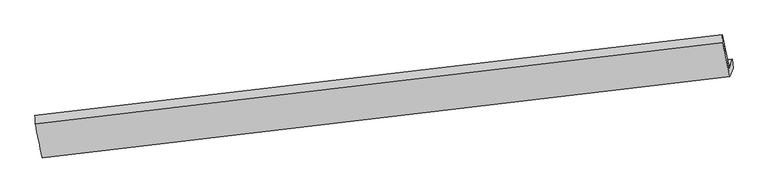
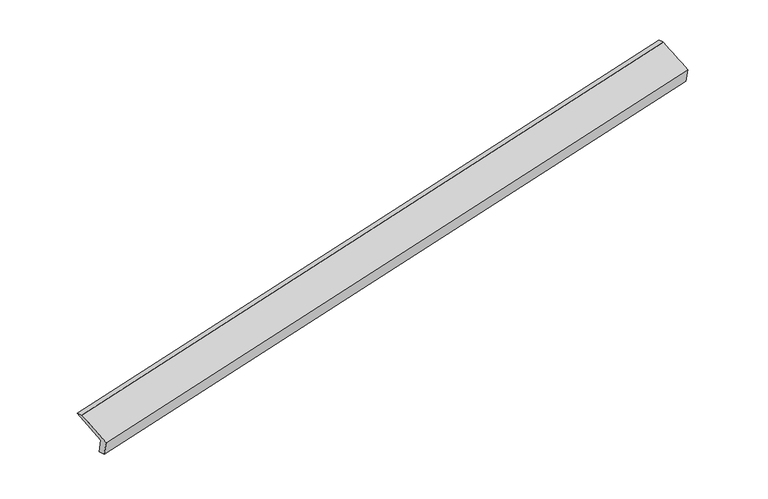
"""IFC4 building model written with IfcOpenShell, lengths in millimetres: proxy geometry."""

from ifc_helpers import new_model, si_unit, frame, origin, place, context, project, spatial, source, transform, mapped, element, save
from ifc_brep_helpers import plane_surface, spline_surface, advanced_brep


def generic_models_dfb17d4b(model_context):
    return source(origin(), model_context, "Body", "AdvancedBrep", [
        advanced_brep(
        [(-9758.9964577, -2352.1591634, 75.0708253), (-9823.2032397, -2527.3619898, 478.0031041), (4138.8818453, -882.0713112, 3420.9490633), (4204.5345904, -702.9228451, 3008.9425838), (-9746.9344929, -2526.8770747, 113.6454821), (4217.5262046, -877.5306852, 3047.7132403), (-9812.9711194, -2707.0730485, 528.0610248), (4151.4895781, -1057.7266591, 3462.128783), (-9951.0799413, -2015.5068527, 806.7600396), (4008.5969834, -366.7268656, 3739.8192265), (-9958.732881, -1848.7107844, 751.4974181), (3998.6577681, -203.9759306, 3693.453641)],
        [
            (0, 1),
            (1, 2),
            (2, 3),
            (3, 0),
            (4, 0),
            (3, 5),
            (5, 4),
            (6, 4),
            (5, 7),
            (7, 6),
            (8, 6),
            (7, 9),
            (9, 8),
            (10, 8),
            (9, 11),
            (11, 10),
            (1, 10),
            (11, 2),
        ],
        [
            plane_surface(frame((-9791.0998487, -2439.7605766, 276.5369647), z_axis=(-0.18478544238231476, 0.9116922531465779, 0.36697626058927646), x_axis=(-0.144596314238311, -0.3945639721905931, 0.9074200668697362))),
            spline_surface(1, 1, [[(-9746.9344929, -2526.8770747, 113.6454821), (4217.5262046, -877.5306852, 3047.7132403)], [(-9758.9964577, -2352.1591634, 75.0708253), (4204.5345904, -702.9228451, 3008.9425838)]], [2, 2], [2, 2], [0.0, 1.0], [0.0, 1.0]),
            plane_surface(frame((-9779.9528062, -2616.9750616, 320.8532534), z_axis=(0.1847854757166686, -0.9116922492162339, -0.3669762535685505), x_axis=(0.1445963142382339, 0.39456397219063, -0.9074200668697325))),
            spline_surface(1, 1, [[(-9951.0799413, -2015.5068527, 806.7600396), (4008.5969834, -366.7268656, 3739.8192265)], [(-9812.9711194, -2707.0730485, 528.0610248), (4151.4895781, -1057.7266591, 3462.128783)]], [2, 2], [2, 2], [0.0, 1.0], [0.0, 1.0]),
            spline_surface(1, 1, [[(-9958.732881, -1848.7107844, 751.4974181), (3998.6577681, -203.9759306, 3693.453641)], [(-9951.0799413, -2015.5068527, 806.7600396), (4008.5969834, -366.7268656, 3739.8192265)]], [2, 2], [2, 2], [0.0, 1.0], [0.0, 1.0]),
            spline_surface(1, 1, [[(-9823.2032397, -2527.3619898, 478.0031041), (4138.8818453, -882.0713112, 3420.9490633)], [(-9958.732881, -1848.7107844, 751.4974181), (3998.6577681, -203.9759306, 3693.453641)]], [2, 2], [2, 2], [0.0, 1.0], [0.0, 1.0]),
            plane_surface(frame((4119.9478283, -681.8257161, 3395.5010896), z_axis=(0.9713817523397625, 0.118041946525485, 0.20611547754064163), x_axis=(0.18843937255798648, -0.9112548330240337, -0.3662038123235379))),
            plane_surface(frame((-9841.9863554, -2329.6148189, 458.839649), z_axis=(-0.9725843330336594, -0.11212508252158926, -0.20373433929261658), x_axis=(0.14459631423836247, 0.39456397219062544, -0.907420066869714))),
        ],
        [
            (0, [[1, 2, 3, 4]]),
            (1, [[5, -4, 6, 7]]),
            (2, [[8, -7, 9, 10]]),
            (3, [[11, -10, 12, 13]]),
            (4, [[14, -13, 15, 16]]),
            (5, [[17, -16, 18, -2]]),
            (6, [[-12, -9, -6, -3, -18, -15]]),
            (7, [[-1, -5, -8, -11, -14, -17]]),
        ],
    ),
    ])


if __name__ == "__main__":
    model = new_model("IFC4")
    model_context = context("Model", 3, world=origin())
    ifc_project = project(units=[si_unit("LENGTHUNIT", "METRE", prefix="MILLI")], contexts=[model_context])
    site = spatial("IfcSite", under=ifc_project)
    building = spatial("IfcBuilding", under=site)
    placement = place(None, origin())
    generic_models_shape = generic_models_dfb17d4b(model_context)
    element("IfcBuildingElementProxy", 1, Name="Generic Models", at=placement, inside=building, context=model_context, shape_type="MappedRepresentation", body=[
        mapped(generic_models_shape, transform((0.0, 0.0, 0.0), x_axis=(1.0, 0.0, 0.0), y_axis=(0.0, 1.0, 0.0), z_axis=(0.0, 0.0, 1.0))),
    ])
    save(model, "model.ifc")
